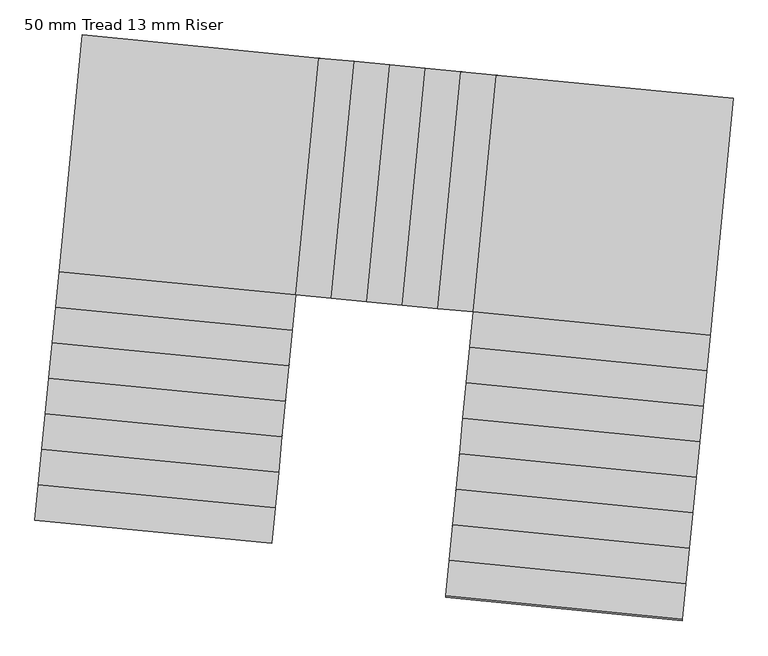
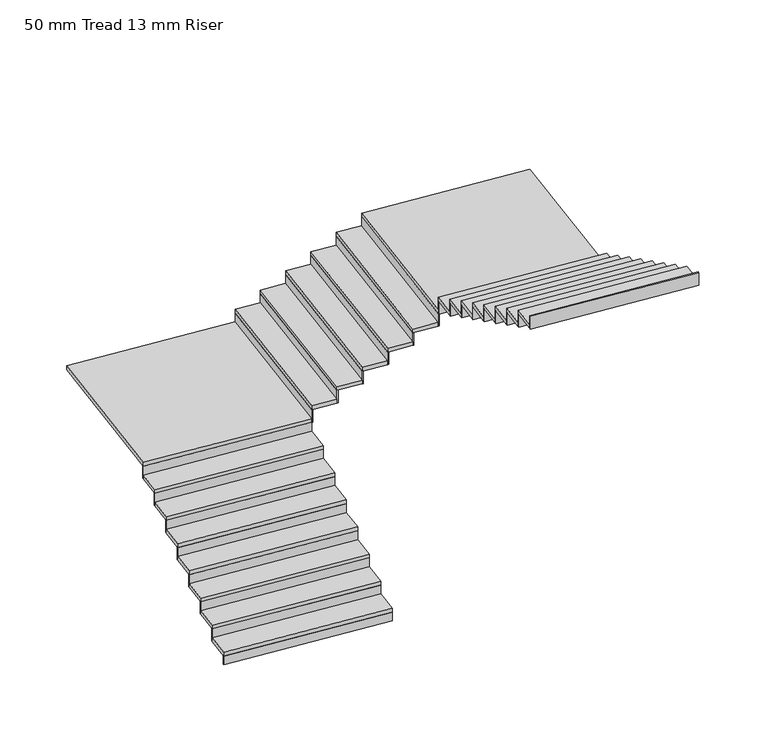
"""IFC4 building model written with IfcOpenShell, lengths in millimetres: stair flight geometry, 50 mm Tread 13 mm Riser."""

import ifcopenshell
import ifcopenshell.guid

model = None  # the IFC model being written
_history = None  # IfcOwnerHistory: only IFC2X3 demands one
_inside = {}  # id of a spatial element -> (the spatial element, [elements in it])
_under = {}  # id of a project, library or spatial element -> (it, [spatial elements below it])
_declared = {}  # id of a project -> (the project, [libraries it declares])
_typed = {}  # id of a type object -> (the type object, [elements of that type])
_made_of = {}  # id of a material, layer set ... -> (it, [elements and type objects made of it])


def new_model(schema):
    """Start an empty IFC model of exactly this schema.

    Asked for "IFC4X3", IfcOpenShell would pick the latest addendum, in which some entities
    have other attributes; the version numbers below select the first issue.
    IFC2X3 requires an IfcOwnerHistory on every rooted entity: one is made here for all.
    """
    global model, _history
    if schema == "IFC4X3":
        model = ifcopenshell.file(schema_version=(4, 3, 0, 0))
    else:
        model = ifcopenshell.file(schema=schema)
    _inside.clear()
    _under.clear()
    _declared.clear()
    _typed.clear()
    _made_of.clear()
    _history = None
    if model.schema == "IFC2X3":
        org = make("IfcOrganization", Name="unknown")
        user = make(
            "IfcPersonAndOrganization",
            ThePerson=make("IfcPerson", FamilyName="unknown"),
            TheOrganization=org,
        )
        app = make(
            "IfcApplication",
            ApplicationDeveloper=org,
            Version="unknown",
            ApplicationFullName="unknown",
            ApplicationIdentifier="unknown",
        )
        _history = make(
            "IfcOwnerHistory",
            OwningUser=user,
            OwningApplication=app,
            ChangeAction="ADDED",
            CreationDate=0,
        )
    return model


def make(cls, **values):
    """One entity of the class cls with the attributes given. An attribute that is None is left unset."""
    return model.create_entity(
        cls, **{name: value for name, value in values.items() if value is not None}
    )


def rooted(cls, **values):
    """An entity with a GlobalId (a new one), such as an element, a storey or a relation."""
    return make(cls, GlobalId=ifcopenshell.guid.new(), OwnerHistory=_history, **values)


def si_unit(unit_type, name, prefix=None):
    """IfcSIUnit, for example si_unit("LENGTHUNIT", "METRE", prefix="MILLI")."""
    return make("IfcSIUnit", UnitType=unit_type, Prefix=prefix, Name=name)


def assignment(units):
    """IfcUnitAssignment: the units of a project."""
    return None if units is None else make("IfcUnitAssignment", Units=units)


def point(xyz):
    """IfcCartesianPoint."""
    return None if xyz is None else make("IfcCartesianPoint", Coordinates=xyz)


def direction(xyz):
    """IfcDirection."""
    return None if xyz is None else make("IfcDirection", DirectionRatios=xyz)


def frame(location, z_axis=None, x_axis=None):
    """IfcAxis2Placement3D, a coordinate frame: its origin and axes. An axis left out is left unset."""
    return make(
        "IfcAxis2Placement3D",
        Location=point(location),
        Axis=direction(z_axis),
        RefDirection=direction(x_axis),
    )


def origin():
    """The frame at (0, 0, 0) with its axes left unset."""
    return frame((0.0, 0.0, 0.0))


def place(relative_to, where):
    """IfcLocalPlacement: puts the frame where relative to a parent placement (None: the world)."""
    return make(
        "IfcLocalPlacement", PlacementRelTo=relative_to, RelativePlacement=where
    )


def context(
    kind, dimensions, precision=None, world=None, true_north=None, identifier=None
):
    """IfcGeometricRepresentationContext, for example the 3D "Model" context."""
    return make(
        "IfcGeometricRepresentationContext",
        ContextIdentifier=identifier,
        ContextType=kind,
        CoordinateSpaceDimension=dimensions,
        Precision=precision,
        WorldCoordinateSystem=world,
        TrueNorth=true_north,
    )


def project(units=None, contexts=None):
    """IfcProject with its units and contexts."""
    return rooted(
        "IfcProject",
        Name="project",
        RepresentationContexts=contexts,
        UnitsInContext=assignment(units),
    )


def spatial(cls, under=None, at=None, **own):
    """A site, building, storey or space (cls), placed at a placement, below another one or the project."""
    s = rooted(cls, ObjectPlacement=at, **own)
    if under is not None:
        _under.setdefault(under.id(), (under, []))[1].append(s)
    return s


def polyline(points):
    """IfcPolyline through the points."""
    return make("IfcPolyline", Points=[point(p) for p in points])


def outline(outer, holes=None, kind="AREA"):
    """IfcArbitraryClosedProfileDef: a profile drawn as a closed curve; with holes, ...WithVoids."""
    if holes is None:
        return make("IfcArbitraryClosedProfileDef", ProfileType=kind, OuterCurve=outer)
    return make(
        "IfcArbitraryProfileDefWithVoids",
        ProfileType=kind,
        OuterCurve=outer,
        InnerCurves=holes,
    )


def extrude(swept, where, along, depth):
    """IfcExtrudedAreaSolid: the profile swept, set in the frame where, extruded along a direction by depth."""
    return make(
        "IfcExtrudedAreaSolid",
        SweptArea=swept,
        Position=where,
        ExtrudedDirection=direction(along),
        Depth=depth,
    )


def shape(context_of_items, identifier, shape_type, items):
    """IfcShapeRepresentation: the items that make up one representation, for example the "Body"."""
    return make(
        "IfcShapeRepresentation",
        ContextOfItems=context_of_items,
        RepresentationIdentifier=identifier,
        RepresentationType=shape_type,
        Items=items,
    )


def source(mapping_origin, context_of_items, identifier, shape_type, items):
    """IfcRepresentationMap: a shape defined once, which mapped items show again and again."""
    return make(
        "IfcRepresentationMap",
        MappingOrigin=mapping_origin,
        MappedRepresentation=shape(context_of_items, identifier, shape_type, items),
    )


def transform(
    local_origin,
    x_axis=None,
    y_axis=None,
    z_axis=None,
    scale=None,
    scale2=None,
    scale3=None,
    uniform=True,
):
    """IfcCartesianTransformationOperator3D, or its non-uniform kind. x_axis, y_axis, z_axis: its Axis1, 2, 3."""
    if uniform:
        return make(
            "IfcCartesianTransformationOperator3D",
            Axis1=direction(x_axis),
            Axis2=direction(y_axis),
            LocalOrigin=point(local_origin),
            Scale=scale,
            Axis3=direction(z_axis),
        )
    return make(
        "IfcCartesianTransformationOperator3DnonUniform",
        Axis1=direction(x_axis),
        Axis2=direction(y_axis),
        LocalOrigin=point(local_origin),
        Scale=scale,
        Axis3=direction(z_axis),
        Scale2=scale2,
        Scale3=scale3,
    )


def mapped(mapping_source, mapping_target):
    """IfcMappedItem: shows the shape of a source again, moved by a transform."""
    return make(
        "IfcMappedItem", MappingSource=mapping_source, MappingTarget=mapping_target
    )


def made_of(thing, what):
    """Note that an element or type object is made of a material, layer set ...; save() writes the relation."""
    if what is not None:
        _made_of.setdefault(what.id(), (what, []))[1].append(thing)
    return thing


def element(
    cls,
    number,
    at=None,
    inside=None,
    cuts=None,
    type_object=None,
    material=None,
    context=None,
    identifier="Body",
    shape_type=None,
    held_by="IfcProductDefinitionShape",
    body=None,
    shapes=None,
    **own,
):
    """One element of the class cls, such as IfcWall. Its Tag is "e" and its number.

    at: its placement. inside: the storey or other place that contains it. cuts: it is an
    opening in that element (IfcRelVoidsElement). A single representation is given by context,
    identifier, shape_type and body (its items); several are given by shapes. held_by: the class
    of the entity that holds the representations. save() writes the other relations.
    """
    e = rooted(cls, Tag="e%d" % number, ObjectPlacement=at, **own)
    if body is not None:
        shapes = [shape(context, identifier, shape_type, body)]
    if shapes is not None:
        e.Representation = make(held_by, Representations=shapes)
    if inside is not None:
        _inside.setdefault(inside.id(), (inside, []))[1].append(e)
    if cuts is not None:
        rooted(
            "IfcRelVoidsElement", RelatingBuildingElement=cuts, RelatedOpeningElement=e
        )
    if type_object is not None:
        _typed.setdefault(type_object.id(), (type_object, []))[1].append(e)
    return made_of(e, material)


def aggregate(whole, parts):
    """IfcRelAggregates: a whole, such as a stair, and the parts it consists of."""
    return rooted("IfcRelAggregates", RelatingObject=whole, RelatedObjects=parts)


def save(model, path):
    """Write the relations noted so far, then the file.

    IfcRelAggregates (storeys below a building ...), IfcRelContainedInSpatialStructure (elements
    in a storey), IfcRelDefinesByType, IfcRelAssociatesMaterial and IfcRelDeclares: one each for
    every whole, place, type object, material and project.
    """
    for whole, parts in _under.values():
        aggregate(whole, parts)
    for where, things in _inside.values():
        rooted(
            "IfcRelContainedInSpatialStructure",
            RelatedElements=things,
            RelatingStructure=where,
        )
    for kind, things in _typed.values():
        rooted("IfcRelDefinesByType", RelatedObjects=things, RelatingType=kind)
    for what, things in _made_of.values():
        rooted("IfcRelAssociatesMaterial", RelatedObjects=things, RelatingMaterial=what)
    for by, libraries in _declared.values():
        rooted("IfcRelDeclares", RelatingContext=by, RelatedDefinitions=libraries)
    model.write(path)


def stair_flight_50_mm_tread_13_mm_riser_d91e4321(model_context):
    return source(origin(), model_context, "Body", "SweptSolid", [
        extrude(outline(polyline([(-285257.1657913, 23425.5739007), (-285258.376983, 23413.1327185), (-287248.9661359, 23606.9233899), (-287247.7549442, 23619.3645721), (-285257.1657913, 23425.5739007)])), frame((0.0, 0.0, 680.0), z_axis=(0.0, 0.0, 1.0), x_axis=(1.0, 0.0, 0.0)), (0.0, 0.0, 1.0), 116.6666667),
        extrude(outline(polyline([(-287219.8975352, 23905.5117628), (-285229.3083823, 23711.7210915), (-285258.376983, 23413.1327185), (-287248.9661359, 23606.9233899), (-287219.8975352, 23905.5117628)])), frame((0.0, 0.0, 796.6666667), z_axis=(0.0, 0.0, 1.0), x_axis=(1.0, 0.0, 0.0)), (0.0, 0.0, 1.0), 50.0),
        extrude(outline(polyline([(-285228.0971906, 23724.1622737), (-285229.3083823, 23711.7210915), (-287219.8975352, 23905.5117628), (-287218.6863435, 23917.952945), (-285228.0971906, 23724.1622737)])), frame((0.0, 0.0, 796.6666667), z_axis=(0.0, 0.0, 1.0), x_axis=(1.0, 0.0, 0.0)), (0.0, 0.0, 1.0), 166.6666667),
        extrude(outline(polyline([(-287190.8289345, 24204.1001358), (-285200.2397815, 24010.3094644), (-285229.3083823, 23711.7210915), (-287219.8975352, 23905.5117628), (-287190.8289345, 24204.1001358)])), frame((0.0, 0.0, 963.3333333), z_axis=(0.0, 0.0, 1.0), x_axis=(1.0, 0.0, 0.0)), (0.0, 0.0, 1.0), 50.0),
        extrude(outline(polyline([(-285199.0285899, 24022.7506466), (-285200.2397815, 24010.3094644), (-287190.8289345, 24204.1001358), (-287189.6177428, 24216.541318), (-285199.0285899, 24022.7506466)])), frame((0.0, 0.0, 963.3333333), z_axis=(0.0, 0.0, 1.0), x_axis=(1.0, 0.0, 0.0)), (0.0, 0.0, 1.0), 166.6666667),
        extrude(outline(polyline([(-287161.7603338, 24502.6885087), (-285171.1711808, 24308.8978373), (-285200.2397815, 24010.3094644), (-287190.8289345, 24204.1001358), (-287161.7603338, 24502.6885087)])), frame((0.0, 0.0, 1130.0), z_axis=(0.0, 0.0, 1.0), x_axis=(1.0, 0.0, 0.0)), (0.0, 0.0, 1.0), 50.0),
        extrude(outline(polyline([(-285169.9599891, 24321.3390195), (-285171.1711808, 24308.8978373), (-287161.7603338, 24502.6885087), (-287160.5491421, 24515.1296909), (-285169.9599891, 24321.3390195)])), frame((0.0, 0.0, 1130.0), z_axis=(0.0, 0.0, 1.0), x_axis=(1.0, 0.0, 0.0)), (0.0, 0.0, 1.0), 166.6666667),
        extrude(outline(polyline([(-287132.691733, 24801.2768816), (-285142.1025801, 24607.4862103), (-285171.1711808, 24308.8978373), (-287161.7603338, 24502.6885087), (-287132.691733, 24801.2768816)])), frame((0.0, 0.0, 1296.6666667), z_axis=(0.0, 0.0, 1.0), x_axis=(1.0, 0.0, 0.0)), (0.0, 0.0, 1.0), 50.0),
        extrude(outline(polyline([(-285140.8913884, 24619.9273925), (-285142.1025801, 24607.4862103), (-287132.691733, 24801.2768816), (-287131.4805414, 24813.7180639), (-285140.8913884, 24619.9273925)])), frame((0.0, 0.0, 1296.6666667), z_axis=(0.0, 0.0, 1.0), x_axis=(1.0, 0.0, 0.0)), (0.0, 0.0, 1.0), 166.6666667),
        extrude(outline(polyline([(-287103.6231323, 25099.8652546), (-285113.0339794, 24906.0745832), (-285142.1025801, 24607.4862103), (-287132.691733, 24801.2768816), (-287103.6231323, 25099.8652546)])), frame((0.0, 0.0, 1463.3333333), z_axis=(0.0, 0.0, 1.0), x_axis=(1.0, 0.0, 0.0)), (0.0, 0.0, 1.0), 50.0),
        extrude(outline(polyline([(-285111.8227877, 24918.5157654), (-285113.0339794, 24906.0745832), (-287103.6231323, 25099.8652546), (-287102.4119406, 25112.3064368), (-285111.8227877, 24918.5157654)])), frame((0.0, 0.0, 1463.3333333), z_axis=(0.0, 0.0, 1.0), x_axis=(1.0, 0.0, 0.0)), (0.0, 0.0, 1.0), 166.6666667),
        extrude(outline(polyline([(-287074.5545316, 25398.4536275), (-285083.9653787, 25204.6629561), (-285113.0339794, 24906.0745832), (-287103.6231323, 25099.8652546), (-287074.5545316, 25398.4536275)])), frame((0.0, 0.0, 1630.0), z_axis=(0.0, 0.0, 1.0), x_axis=(1.0, 0.0, 0.0)), (0.0, 0.0, 1.0), 50.0),
        extrude(outline(polyline([(-285082.754187, 25217.1041384), (-285083.9653787, 25204.6629562), (-287074.5545316, 25398.4536275), (-287073.3433399, 25410.8948097), (-285082.754187, 25217.1041384)])), frame((0.0, 0.0, 1630.0), z_axis=(0.0, 0.0, 1.0), x_axis=(1.0, 0.0, 0.0)), (0.0, 0.0, 1.0), 166.6666667),
        extrude(outline(polyline([(-287045.4859309, 25697.0420005), (-285054.896778, 25503.2513291), (-285083.9653787, 25204.6629562), (-287074.5545316, 25398.4536275), (-287045.4859309, 25697.0420005)])), frame((0.0, 0.0, 1796.6666667), z_axis=(0.0, 0.0, 1.0), x_axis=(1.0, 0.0, 0.0)), (0.0, 0.0, 1.0), 50.0),
        extrude(outline(polyline([(-285053.6855863, 25515.6925113), (-285054.896778, 25503.2513291), (-287045.4859309, 25697.0420005), (-287044.2747392, 25709.4831827), (-285053.6855863, 25515.6925113)])), frame((0.0, 0.0, 1796.6666667), z_axis=(0.0, 0.0, 1.0), x_axis=(1.0, 0.0, 0.0)), (0.0, 0.0, 1.0), 166.6666667),
        extrude(outline(polyline([(-284861.1061066, 27493.840482), (-285054.896778, 25503.2513291), (-287045.4859309, 25697.0420005), (-286851.6952596, 27687.6311534), (-284861.1061066, 27493.840482)])), frame((0.0, 0.0, 1963.3333333), z_axis=(0.0, 0.0, 1.0), x_axis=(1.0, 0.0, 0.0)), (0.0, 0.0, 1.0), 50.0),
        extrude(outline(polyline([(-285042.4555958, 25502.0401374), (-285054.896778, 25503.2513291), (-284861.1061066, 27493.840482), (-284848.6649244, 27492.6292903), (-285042.4555958, 25502.0401374)])), frame((0.0, 0.0, 1963.3333333), z_axis=(0.0, 0.0, 1.0), x_axis=(1.0, 0.0, 0.0)), (0.0, 0.0, 1.0), 166.6666667),
        extrude(outline(polyline([(-284562.5177337, 27464.7718813), (-284756.3084051, 25474.1827284), (-285054.896778, 25503.2513291), (-284861.1061066, 27493.840482), (-284562.5177337, 27464.7718813)])), frame((0.0, 0.0, 2130.0), z_axis=(0.0, 0.0, 1.0), x_axis=(1.0, 0.0, 0.0)), (0.0, 0.0, 1.0), 50.0),
        extrude(outline(polyline([(-284743.8672229, 25472.9715367), (-284756.3084051, 25474.1827284), (-284562.5177337, 27464.7718813), (-284550.0765515, 27463.5606896), (-284743.8672229, 25472.9715367)])), frame((0.0, 0.0, 2130.0), z_axis=(0.0, 0.0, 1.0), x_axis=(1.0, 0.0, 0.0)), (0.0, 0.0, 1.0), 166.6666667),
        extrude(outline(polyline([(-284263.9293608, 27435.7032806), (-284457.7200321, 25445.1141277), (-284756.3084051, 25474.1827284), (-284562.5177337, 27464.7718813), (-284263.9293608, 27435.7032806)])), frame((0.0, 0.0, 2296.6666667), z_axis=(0.0, 0.0, 1.0), x_axis=(1.0, 0.0, 0.0)), (0.0, 0.0, 1.0), 50.0),
        extrude(outline(polyline([(-284445.2788499, 25443.902936), (-284457.7200321, 25445.1141277), (-284263.9293608, 27435.7032806), (-284251.4881786, 27434.4920889), (-284445.2788499, 25443.902936)])), frame((0.0, 0.0, 2296.6666667), z_axis=(0.0, 0.0, 1.0), x_axis=(1.0, 0.0, 0.0)), (0.0, 0.0, 1.0), 166.6666667),
        extrude(outline(polyline([(-283965.3409878, 27406.6346799), (-284159.1316592, 25416.045527), (-284457.7200321, 25445.1141277), (-284263.9293608, 27435.7032806), (-283965.3409878, 27406.6346799)])), frame((0.0, 0.0, 2463.3333333), z_axis=(0.0, 0.0, 1.0), x_axis=(1.0, 0.0, 0.0)), (0.0, 0.0, 1.0), 50.0),
        extrude(outline(polyline([(-284146.690477, 25414.8343353), (-284159.1316592, 25416.045527), (-283965.3409878, 27406.6346799), (-283952.8998056, 27405.4234882), (-284146.690477, 25414.8343353)])), frame((0.0, 0.0, 2463.3333333), z_axis=(0.0, 0.0, 1.0), x_axis=(1.0, 0.0, 0.0)), (0.0, 0.0, 1.0), 166.6666667),
        extrude(outline(polyline([(-283666.7526149, 27377.5660792), (-283860.5432863, 25386.9769263), (-284159.1316592, 25416.045527), (-283965.3409878, 27406.6346799), (-283666.7526149, 27377.5660792)])), frame((0.0, 0.0, 2630.0), z_axis=(0.0, 0.0, 1.0), x_axis=(1.0, 0.0, 0.0)), (0.0, 0.0, 1.0), 50.0),
        extrude(outline(polyline([(-283848.1021041, 25385.7657346), (-283860.5432863, 25386.9769263), (-283666.7526149, 27377.5660792), (-283654.3114327, 27376.3548875), (-283848.1021041, 25385.7657346)])), frame((0.0, 0.0, 2630.0), z_axis=(0.0, 0.0, 1.0), x_axis=(1.0, 0.0, 0.0)), (0.0, 0.0, 1.0), 166.6666667),
        extrude(outline(polyline([(-283368.164242, 27348.4974785), (-283561.9549133, 25357.9083256), (-283860.5432863, 25386.9769263), (-283666.7526149, 27377.5660792), (-283368.164242, 27348.4974785)])), frame((0.0, 0.0, 2796.6666667), z_axis=(0.0, 0.0, 1.0), x_axis=(1.0, 0.0, 0.0)), (0.0, 0.0, 1.0), 50.0),
        extrude(outline(polyline([(-283549.5137311, 25356.6971339), (-283561.9549133, 25357.9083256), (-283368.164242, 27348.4974785), (-283355.7230598, 27347.2862868), (-283549.5137311, 25356.6971339)])), frame((0.0, 0.0, 2796.6666667), z_axis=(0.0, 0.0, 1.0), x_axis=(1.0, 0.0, 0.0)), (0.0, 0.0, 1.0), 166.6666667),
        extrude(outline(polyline([(-281571.3657604, 25164.1176542), (-283561.9549133, 25357.9083256), (-283368.164242, 27348.4974785), (-281377.5750891, 27154.7068071), (-281571.3657604, 25164.1176542)])), frame((0.0, 0.0, 2963.3333333), z_axis=(0.0, 0.0, 1.0), x_axis=(1.0, 0.0, 0.0)), (0.0, 0.0, 1.0), 50.0),
        extrude(outline(polyline([(-283563.166105, 25345.4671433), (-283561.9549133, 25357.9083256), (-281571.3657604, 25164.1176542), (-281572.5769521, 25151.676472), (-283563.166105, 25345.4671433)])), frame((0.0, 0.0, 2963.3333333), z_axis=(0.0, 0.0, 1.0), x_axis=(1.0, 0.0, 0.0)), (0.0, 0.0, 1.0), 166.6666667),
        extrude(outline(polyline([(-281600.4343611, 24865.5292812), (-283591.023514, 25059.3199526), (-283561.9549133, 25357.9083256), (-281571.3657604, 25164.1176542), (-281600.4343611, 24865.5292812)])), frame((0.0, 0.0, 3130.0), z_axis=(0.0, 0.0, 1.0), x_axis=(1.0, 0.0, 0.0)), (0.0, 0.0, 1.0), 50.0),
        extrude(outline(polyline([(-283592.2347057, 25046.8787704), (-283591.023514, 25059.3199526), (-281600.4343611, 24865.5292812), (-281601.6455528, 24853.088099), (-283592.2347057, 25046.8787704)])), frame((0.0, 0.0, 3130.0), z_axis=(0.0, 0.0, 1.0), x_axis=(1.0, 0.0, 0.0)), (0.0, 0.0, 1.0), 166.6666667),
        extrude(outline(polyline([(-281629.5029618, 24566.9409083), (-283620.0921147, 24760.7315797), (-283591.023514, 25059.3199526), (-281600.4343611, 24865.5292812), (-281629.5029618, 24566.9409083)])), frame((0.0, 0.0, 3296.6666667), z_axis=(0.0, 0.0, 1.0), x_axis=(1.0, 0.0, 0.0)), (0.0, 0.0, 1.0), 50.0),
        extrude(outline(polyline([(-283621.3033064, 24748.2903975), (-283620.0921147, 24760.7315797), (-281629.5029618, 24566.9409083), (-281630.7141535, 24554.4997261), (-283621.3033064, 24748.2903975)])), frame((0.0, 0.0, 3296.6666667), z_axis=(0.0, 0.0, 1.0), x_axis=(1.0, 0.0, 0.0)), (0.0, 0.0, 1.0), 166.6666667),
        extrude(outline(polyline([(-281658.5715625, 24268.3525354), (-283649.1607155, 24462.1432067), (-283620.0921147, 24760.7315797), (-281629.5029618, 24566.9409083), (-281658.5715625, 24268.3525354)])), frame((0.0, 0.0, 3463.3333333), z_axis=(0.0, 0.0, 1.0), x_axis=(1.0, 0.0, 0.0)), (0.0, 0.0, 1.0), 50.0),
        extrude(outline(polyline([(-283650.3719071, 24449.7020245), (-283649.1607155, 24462.1432067), (-281658.5715625, 24268.3525354), (-281659.7827542, 24255.9113532), (-283650.3719071, 24449.7020245)])), frame((0.0, 0.0, 3463.3333333), z_axis=(0.0, 0.0, 1.0), x_axis=(1.0, 0.0, 0.0)), (0.0, 0.0, 1.0), 166.6666667),
        extrude(outline(polyline([(-281687.6401632, 23969.7641624), (-283678.2293162, 24163.5548338), (-283649.1607155, 24462.1432067), (-281658.5715625, 24268.3525354), (-281687.6401632, 23969.7641624)])), frame((0.0, 0.0, 3630.0), z_axis=(0.0, 0.0, 1.0), x_axis=(1.0, 0.0, 0.0)), (0.0, 0.0, 1.0), 50.0),
        extrude(outline(polyline([(-283679.4405079, 24151.1136516), (-283678.2293162, 24163.5548338), (-281687.6401632, 23969.7641624), (-281688.8513549, 23957.3229802), (-283679.4405079, 24151.1136516)])), frame((0.0, 0.0, 3630.0), z_axis=(0.0, 0.0, 1.0), x_axis=(1.0, 0.0, 0.0)), (0.0, 0.0, 1.0), 166.6666667),
        extrude(outline(polyline([(-281716.7087639, 23671.1757895), (-283707.2979169, 23864.9664609), (-283678.2293162, 24163.5548338), (-281687.6401632, 23969.7641624), (-281716.7087639, 23671.1757895)])), frame((0.0, 0.0, 3796.6666667), z_axis=(0.0, 0.0, 1.0), x_axis=(1.0, 0.0, 0.0)), (0.0, 0.0, 1.0), 50.0),
        extrude(outline(polyline([(-283708.5091086, 23852.5252787), (-283707.2979169, 23864.9664609), (-281716.7087639, 23671.1757895), (-281717.9199556, 23658.7346073), (-283708.5091086, 23852.5252787)])), frame((0.0, 0.0, 3796.6666667), z_axis=(0.0, 0.0, 1.0), x_axis=(1.0, 0.0, 0.0)), (0.0, 0.0, 1.0), 166.6666667),
        extrude(outline(polyline([(-281745.7773647, 23372.5874166), (-283736.3665176, 23566.3780879), (-283707.2979169, 23864.9664609), (-281716.7087639, 23671.1757895), (-281745.7773647, 23372.5874166)])), frame((0.0, 0.0, 3963.3333333), z_axis=(0.0, 0.0, 1.0), x_axis=(1.0, 0.0, 0.0)), (0.0, 0.0, 1.0), 50.0),
        extrude(outline(polyline([(-283737.5777093, 23553.9369057), (-283736.3665176, 23566.3780879), (-281745.7773647, 23372.5874166), (-281746.9885564, 23360.1462344), (-283737.5777093, 23553.9369057)])), frame((0.0, 0.0, 3963.3333333), z_axis=(0.0, 0.0, 1.0), x_axis=(1.0, 0.0, 0.0)), (0.0, 0.0, 1.0), 166.6666667),
        extrude(outline(polyline([(-281774.8459654, 23073.9990436), (-283765.4351183, 23267.789715), (-283736.3665176, 23566.3780879), (-281745.7773647, 23372.5874166), (-281774.8459654, 23073.9990436)])), frame((0.0, 0.0, 4130.0), z_axis=(0.0, 0.0, 1.0), x_axis=(1.0, 0.0, 0.0)), (0.0, 0.0, 1.0), 50.0),
        extrude(outline(polyline([(-283766.64631, 23255.3485328), (-283765.4351183, 23267.789715), (-281774.8459654, 23073.9990436), (-281776.0571571, 23061.5578614), (-283766.64631, 23255.3485328)])), frame((0.0, 0.0, 4130.0), z_axis=(0.0, 0.0, 1.0), x_axis=(1.0, 0.0, 0.0)), (0.0, 0.0, 1.0), 166.6666667),
        extrude(outline(polyline([(-283795.7149107, 22956.7601599), (-283794.503719, 22969.2013421), (-281803.9145661, 22775.4106707), (-281805.1257578, 22762.9694885), (-283795.7149107, 22956.7601599)])), frame((0.0, 0.0, 4296.6666667), z_axis=(0.0, 0.0, 1.0), x_axis=(1.0, 0.0, 0.0)), (0.0, 0.0, 1.0), 166.6666667),
        extrude(outline(polyline([(-281803.9145661, 22775.4106707), (-283794.503719, 22969.2013421), (-283765.4351183, 23267.789715), (-281774.8459654, 23073.9990436), (-281803.9145661, 22775.4106707)])), frame((0.0, 0.0, 4296.6666667), z_axis=(0.0, 0.0, 1.0), x_axis=(1.0, 0.0, 0.0)), (0.0, 0.0, 1.0), 50.0),
    ])


if __name__ == "__main__":
    model = new_model("IFC4")
    model_context = context("Model", 3, world=origin())
    ifc_project = project(units=[si_unit("LENGTHUNIT", "METRE", prefix="MILLI")], contexts=[model_context])
    site = spatial("IfcSite", under=ifc_project)
    building = spatial("IfcBuilding", under=site)
    placement = place(None, origin())
    stair_flight_50_mm_tread_13_mm_riser_shape = stair_flight_50_mm_tread_13_mm_riser_d91e4321(model_context)
    element("IfcStairFlight", 1, ObjectType="50 mm Tread 13 mm Riser", at=placement, inside=building, context=model_context, shape_type="MappedRepresentation", body=[
        mapped(stair_flight_50_mm_tread_13_mm_riser_shape, transform((0.0, 0.0, 0.0), x_axis=(1.0, 0.0, 0.0), y_axis=(0.0, 1.0, 0.0), z_axis=(0.0, 0.0, 1.0))),
    ])
    save(model, "model.ifc")
